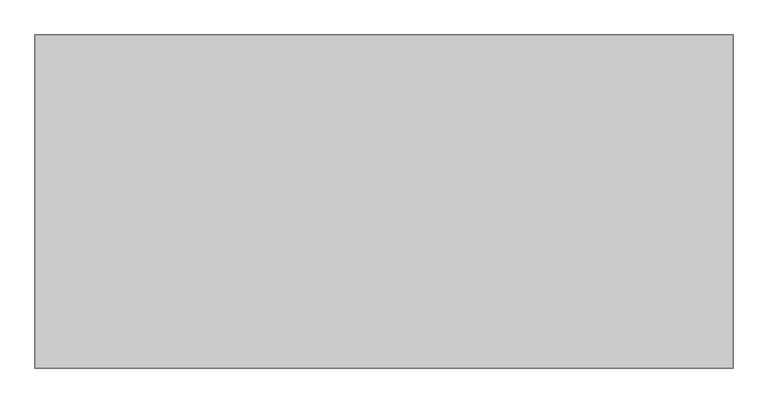
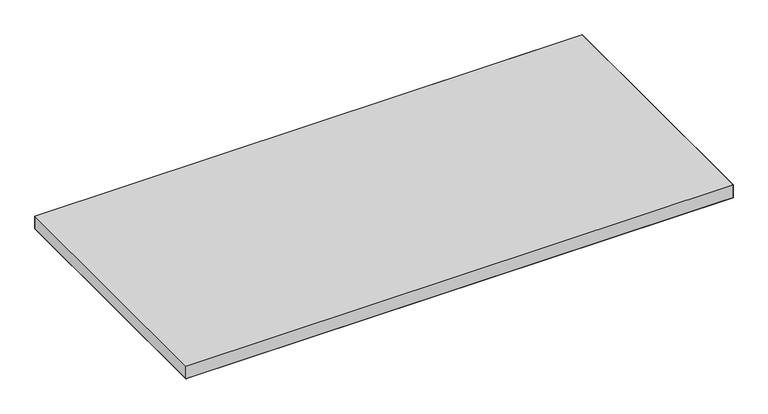
"""IFC4 building model written with IfcOpenShell, lengths in millimetres: furniture geometry."""

from ifc_helpers import new_model, si_unit, origin, place, context, project, spatial, triangles, source, transform, mapped, element, save


def furniture_43725829(model_context):
    return source(origin(), model_context, "Body", "Tessellation", [
        triangles([(1217.6759651, -1.524, 725.4240349), (1.524, -1.524, 725.4240349), (1.524, -582.6759893, 725.4240349), (1217.6759651, -582.6759893, 725.4240349), (1217.6759651, -1.524, 695.5536198), (1217.6759651, -582.6759893, 695.5536198), (1.524, -582.6759893, 695.5536198), (1.524, -1.524, 695.5536198)], [[1, 2, 3], [1, 3, 4], [5, 6, 7], [5, 7, 8]], closed=False),
        triangles([(1.524, -1.524, 725.4240349), (1217.6759651, -1.524, 725.4240349), (1217.6759651, -1.524, 695.5536198), (1.524, -1.524, 695.5536198), (1.524, -582.6759893, 695.5536198), (1217.6759651, -582.6759893, 695.5536198), (1217.6759651, -582.6759893, 725.4240349), (1.524, -582.6759893, 725.4240349)], [[1, 2, 3], [1, 3, 4], [5, 6, 7], [5, 7, 8], [5, 8, 1], [5, 1, 4], [2, 7, 6], [2, 6, 3]], closed=False),
    ])


if __name__ == "__main__":
    model = new_model("IFC4")
    model_context = context("Model", 3, world=origin())
    ifc_project = project(units=[si_unit("LENGTHUNIT", "METRE", prefix="MILLI")], contexts=[model_context])
    site = spatial("IfcSite", under=ifc_project)
    building = spatial("IfcBuilding", under=site)
    placement = place(None, origin())
    furniture_shape = furniture_43725829(model_context)
    element("IfcFurniture", 1, at=placement, inside=building, context=model_context, shape_type="MappedRepresentation", body=[
        mapped(furniture_shape, transform((0.0, 0.0, 0.0), x_axis=(1.0, 0.0, 0.0), y_axis=(0.0, 1.0, 0.0), z_axis=(0.0, 0.0, 1.0))),
    ])
    save(model, "model.ifc")
